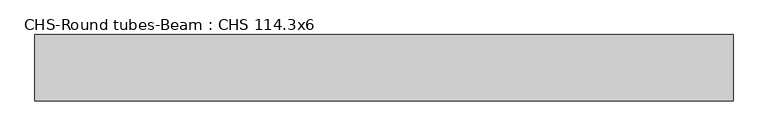
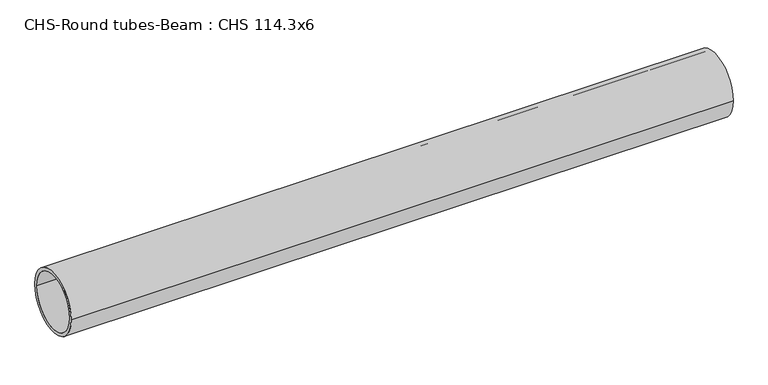
"""IFC4 building model written with IfcOpenShell, lengths in millimetres: beam geometry, CHS-Round tubes-Beam : CHS 114.3x6."""

from ifc_helpers import new_model, si_unit, point, frame, origin, origin_2d, place, context, project, spatial, circle_curve, trimmed, segment, composite_curve, outline, extrude, source, transform, mapped, element, save


def chs_round_tubes_beam_chs_114_3x6_3e7e85ce(model_context):
    return source(origin(), model_context, "Body", "SweptSolid", [
        extrude(outline(composite_curve([segment(trimmed(circle_curve(origin_2d(), 57.15), [point((57.15, 0.0))], [point((-57.15, 0.0))], False, "CARTESIAN"), True, "CONTINUOUS"), segment(trimmed(circle_curve(origin_2d(), 57.15), [point((-57.15, 0.0))], [point((57.15, 0.0))], False, "CARTESIAN"), True, "CONTINUOUS")], self_intersect=False), holes=[composite_curve([segment(trimmed(circle_curve(origin_2d(), 51.15), [point((51.15, 0.0))], [point((-51.15, 0.0))], True, "CARTESIAN"), True, "CONTINUOUS"), segment(trimmed(circle_curve(origin_2d(), 51.15), [point((-51.15, 0.0))], [point((51.15, 0.0))], True, "CARTESIAN"), True, "CONTINUOUS")], self_intersect=False)]), frame((-489.0924799, 0.0, 0.0), z_axis=(1.0, 0.0, 0.0), x_axis=(0.0, 1.0, 0.0)), (0.0, 0.0, 1.0), 1202.3345799),
    ])


if __name__ == "__main__":
    model = new_model("IFC4")
    model_context = context("Model", 3, world=origin())
    ifc_project = project(units=[si_unit("LENGTHUNIT", "METRE", prefix="MILLI")], contexts=[model_context])
    site = spatial("IfcSite", under=ifc_project)
    building = spatial("IfcBuilding", under=site)
    placement = place(None, origin())
    chs_round_tubes_beam_chs_114_3x6_shape = chs_round_tubes_beam_chs_114_3x6_3e7e85ce(model_context)
    element("IfcBeam", 1, ObjectType="CHS-Round tubes-Beam : CHS 114.3x6", at=placement, inside=building, context=model_context, shape_type="MappedRepresentation", body=[
        mapped(chs_round_tubes_beam_chs_114_3x6_shape, transform((0.0, 0.0, 0.0), x_axis=(1.0, 0.0, 0.0), y_axis=(0.0, 1.0, 0.0), z_axis=(0.0, 0.0, 1.0))),
    ])
    save(model, "model.ifc")
